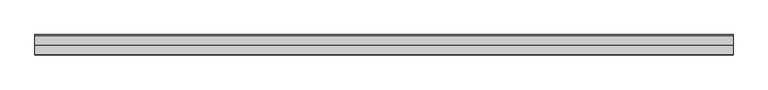
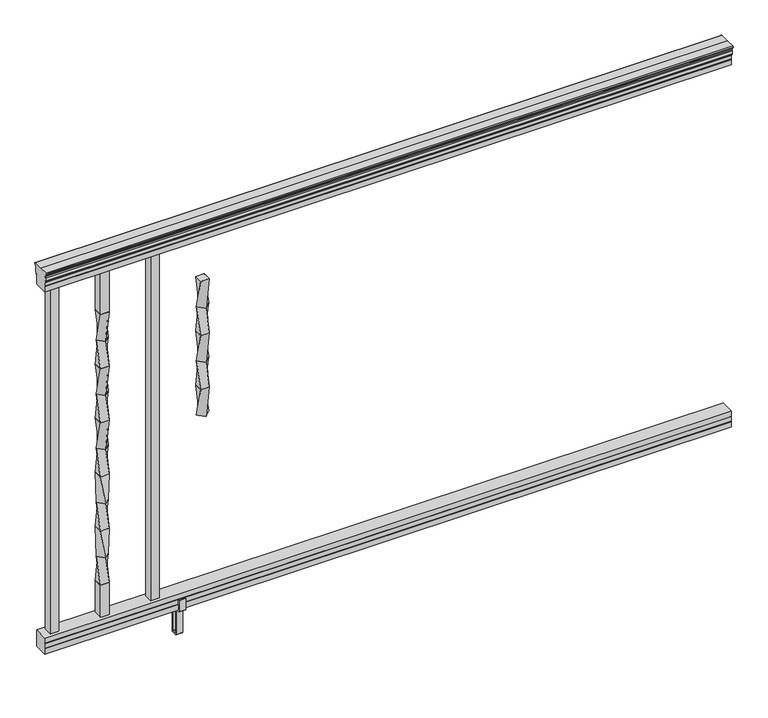
"""IFC4 building model written with IfcOpenShell, lengths in millimetres: railing geometry."""

from ifc_helpers import new_model, si_unit, frame, origin, place, context, project, spatial, polyline, circle_curve, outline, extrude, faceted_brep, source, transform, mapped, element, save
from ifc_brep_helpers import plane_surface, cylinder_surface, revolved_surface, spline_surface, advanced_brep


def railing_80288866(model_context):
    return source(origin(), model_context, "Body", "SolidModel", [
        advanced_brep(
        [(18368.0238122, -60567.3992427, 938.4043297), (18368.0238122, -60564.825414, 938.4043297), (18368.0238122, -60564.825414, 927.747013), (18368.0238122, -60565.841414, 926.731013), (18368.0238122, -60565.841414, 914.4), (18368.0238122, -60534.091414, 914.4), (18368.0238122, -60534.091414, 926.8888283), (18368.0238122, -60535.107414, 927.9048283), (18368.0238122, -60535.107414, 938.4043297), (18368.0238122, -60532.5335853, 938.4043297), (18368.0238122, -60532.5335853, 940.292412), (18368.0238122, -60531.403399, 941.8546695), (18368.0238122, -60531.403399, 949.0726458), (18368.0238122, -60532.0526554, 951.5060812), (18368.0238122, -60529.5526554, 955.8362083), (18368.0238122, -60528.1433129, 957.5157972), (18368.0238122, -60527.7414139, 958.6205318), (18368.0238122, -60527.741414, 959.9608158), (18368.0238122, -60529.2948612, 961.514263), (18368.0238122, -60549.966414, 961.514263), (18368.0238122, -60570.6379668, 961.514263), (18368.0238122, -60572.191414, 959.9608158), (18368.0238122, -60572.191414, 958.6205318), (18368.0238122, -60571.7895151, 957.5157972), (18368.0238122, -60570.3801726, 955.8362083), (18368.0238122, -60567.8801726, 951.5060812), (18368.0238122, -60568.529429, 949.0726458), (18368.0238122, -60568.529429, 941.8546695), (18368.0238122, -60567.3992427, 940.292412), (16844.0238122, -60567.3992427, 938.4043297), (16844.0238122, -60567.3992427, 940.292412), (16844.0238122, -60568.529429, 941.8546695), (16844.0238122, -60568.529429, 949.0726458), (16844.0238122, -60567.8801726, 951.5060812), (16844.0238122, -60570.3801726, 955.8362083), (16844.0238122, -60571.7895151, 957.5157972), (16844.0238122, -60572.1914141, 958.6205318), (16844.0238122, -60572.191414, 959.9608158), (16844.0238122, -60570.6379668, 961.514263), (16844.0238122, -60549.966414, 961.514263), (16844.0238122, -60529.2948612, 961.514263), (16844.0238122, -60527.741414, 959.9608158), (16844.0238122, -60527.741414, 958.6205318), (16844.0238122, -60528.1433129, 957.5157972), (16844.0238122, -60529.5526554, 955.8362083), (16844.0238122, -60532.0526554, 951.5060812), (16844.0238122, -60531.403399, 949.0726458), (16844.0238122, -60531.403399, 941.8546695), (16844.0238122, -60532.5335853, 940.292412), (16844.0238122, -60532.5335853, 938.4043297), (16844.0238122, -60535.107414, 938.4043297), (16844.0238122, -60535.107414, 927.9048283), (16844.0238122, -60534.091414, 926.8888283), (16844.0238122, -60534.091414, 914.4), (16844.0238122, -60565.841414, 914.4), (16844.0238122, -60565.841414, 926.731013), (16844.0238122, -60564.825414, 927.747013), (16844.0238122, -60564.825414, 938.4043297)],
        [
            (0, 1, circle_curve(frame((18368.0238122, -60566.1123284, 938.4043297), z_axis=(1.0, 0.0, 0.0), x_axis=(0.0, 1.0, 0.0)), 1.2869144)),
            (1, 2),
            (2, 3),
            (3, 4),
            (4, 5),
            (5, 6),
            (6, 7),
            (7, 8),
            (8, 9, circle_curve(frame((18368.0238122, -60533.8204996, 938.4043297), z_axis=(1.0, 0.0, 0.0), x_axis=(0.0, -1.0, 0.0)), 1.2869144)),
            (9, 10),
            (10, 11, circle_curve(frame((18368.0238122, -60538.8483386, 946.0506383), z_axis=(1.0, 0.0, 0.0), x_axis=(0.0, -1.0, 0.0)), 8.545951)),
            (11, 12, circle_curve(frame((18368.0238122, -60538.4112756, 945.4636577), z_axis=(1.0, 0.0, 0.0), x_axis=(0.0, -1.0, 0.0)), 7.882584)),
            (12, 13, circle_curve(frame((18368.0238122, -60527.8979515, 951.3112527), z_axis=(-1.0, 0.0, 0.0), x_axis=(0.0, -1.0, 0.0)), 4.1592695)),
            (13, 14, circle_curve(frame((18368.0238122, -60526.6106449, 951.2508864), z_axis=(-1.0, 0.0, 0.0), x_axis=(0.0, -1.0, 0.0)), 5.4479907)),
            (14, 15, circle_curve(frame((18368.0238122, -60527.8438033, 955.833395), z_axis=(-1.0, 0.0, 0.0), x_axis=(0.0, -1.0, 0.0)), 1.7088543)),
            (15, 16, circle_curve(frame((18368.0238122, -60529.4607034, 958.6205318), z_axis=(1.0, 0.0, 0.0), x_axis=(0.0, -1.0, 0.0)), 1.7192895)),
            (16, 17),
            (17, 18, circle_curve(frame((18368.0238122, -60529.2948612, 959.9608158), z_axis=(1.0, 0.0, 0.0), x_axis=(0.0, -1.0, 0.0)), 1.5534472)),
            (18, 19),
            (19, 20),
            (20, 21, circle_curve(frame((18368.0238122, -60570.6379668, 959.9608158), z_axis=(1.0, 0.0, 0.0), x_axis=(0.0, 1.0, 0.0)), 1.5534472)),
            (21, 22),
            (22, 23, circle_curve(frame((18368.0238122, -60570.4721246, 958.6205318), z_axis=(1.0, 0.0, 0.0), x_axis=(0.0, 1.0, 0.0)), 1.7192895)),
            (23, 24, circle_curve(frame((18368.0238122, -60572.0890247, 955.833395), z_axis=(-1.0, 0.0, 0.0), x_axis=(0.0, 1.0, 0.0)), 1.7088543)),
            (24, 25, circle_curve(frame((18368.0238122, -60573.3221831, 951.2508864), z_axis=(-1.0, 0.0, 0.0), x_axis=(0.0, 1.0, 0.0)), 5.4479907)),
            (25, 26, circle_curve(frame((18368.0238122, -60572.0348766, 951.3112527), z_axis=(-1.0, 0.0, 0.0), x_axis=(0.0, 1.0, 0.0)), 4.1592695)),
            (26, 27, circle_curve(frame((18368.0238122, -60561.5215524, 945.4636577), z_axis=(1.0, 0.0, 0.0), x_axis=(0.0, 1.0, 0.0)), 7.882584)),
            (27, 28, circle_curve(frame((18368.0238122, -60561.0844895, 946.0506383), z_axis=(1.0, 0.0, 0.0), x_axis=(0.0, 1.0, 0.0)), 8.545951)),
            (28, 0),
            (29, 30),
            (30, 31, circle_curve(frame((16844.0238122, -60561.0844895, 946.0506383), z_axis=(-1.0, 0.0, 0.0), x_axis=(0.0, 1.0, 0.0)), 8.545951)),
            (31, 32, circle_curve(frame((16844.0238122, -60561.5215524, 945.4636577), z_axis=(-1.0, 0.0, 0.0), x_axis=(0.0, 1.0, 0.0)), 7.882584)),
            (32, 33, circle_curve(frame((16844.0238122, -60572.0348766, 951.3112527), z_axis=(1.0, 0.0, 0.0), x_axis=(0.0, 1.0, 0.0)), 4.1592695)),
            (33, 34, circle_curve(frame((16844.0238122, -60573.3221831, 951.2508864), z_axis=(1.0, 0.0, 0.0), x_axis=(0.0, 1.0, 0.0)), 5.4479907)),
            (34, 35, circle_curve(frame((16844.0238122, -60572.0890247, 955.833395), z_axis=(1.0, 0.0, 0.0), x_axis=(0.0, 1.0, 0.0)), 1.7088543)),
            (35, 36, circle_curve(frame((16844.0238122, -60570.4721246, 958.6205318), z_axis=(-1.0, 0.0, 0.0), x_axis=(0.0, 1.0, 0.0)), 1.7192895)),
            (36, 37),
            (37, 38, circle_curve(frame((16844.0238122, -60570.6379668, 959.9608158), z_axis=(-1.0, 0.0, 0.0), x_axis=(0.0, 1.0, 0.0)), 1.5534472)),
            (38, 39),
            (39, 40),
            (40, 41, circle_curve(frame((16844.0238122, -60529.2948612, 959.9608158), z_axis=(-1.0, 0.0, 0.0), x_axis=(0.0, -1.0, 0.0)), 1.5534472)),
            (41, 42),
            (42, 43, circle_curve(frame((16844.0238122, -60529.4607034, 958.6205318), z_axis=(-1.0, 0.0, 0.0), x_axis=(0.0, -1.0, 0.0)), 1.7192895)),
            (43, 44, circle_curve(frame((16844.0238122, -60527.8438033, 955.833395), z_axis=(1.0, 0.0, 0.0), x_axis=(0.0, -1.0, 0.0)), 1.7088543)),
            (44, 45, circle_curve(frame((16844.0238122, -60526.6106449, 951.2508864), z_axis=(1.0, 0.0, 0.0), x_axis=(0.0, -1.0, 0.0)), 5.4479907)),
            (45, 46, circle_curve(frame((16844.0238122, -60527.8979515, 951.3112527), z_axis=(1.0, 0.0, 0.0), x_axis=(0.0, -1.0, 0.0)), 4.1592695)),
            (46, 47, circle_curve(frame((16844.0238122, -60538.4112756, 945.4636577), z_axis=(-1.0, 0.0, 0.0), x_axis=(0.0, -1.0, 0.0)), 7.882584)),
            (47, 48, circle_curve(frame((16844.0238122, -60538.8483386, 946.0506383), z_axis=(-1.0, 0.0, 0.0), x_axis=(0.0, -1.0, 0.0)), 8.545951)),
            (48, 49),
            (49, 50, circle_curve(frame((16844.0238122, -60533.8204996, 938.4043297), z_axis=(-1.0, 0.0, 0.0), x_axis=(0.0, -1.0, 0.0)), 1.2869144)),
            (50, 51),
            (51, 52),
            (52, 53),
            (53, 54),
            (54, 55),
            (55, 56),
            (56, 57),
            (57, 29, circle_curve(frame((16844.0238122, -60566.1123284, 938.4043297), z_axis=(-1.0, 0.0, 0.0), x_axis=(0.0, 1.0, 0.0)), 1.2869144)),
            (0, 29),
            (57, 1),
            (56, 2),
            (55, 3),
            (54, 4),
            (53, 5),
            (52, 6),
            (51, 7),
            (50, 8),
            (49, 9),
            (48, 10),
            (47, 11),
            (46, 12),
            (45, 13),
            (44, 14),
            (43, 15),
            (42, 16),
            (41, 17),
            (40, 18),
            (39, 19),
            (38, 20),
            (37, 21),
            (36, 22),
            (35, 23),
            (34, 24),
            (33, 25),
            (32, 26),
            (31, 27),
            (30, 28),
        ],
        [
            plane_surface(frame((18368.0238122, -60549.966414, 914.4), z_axis=(1.0, 0.0, 0.0), x_axis=(0.0, -1.0, 0.0))),
            plane_surface(frame((16844.0238122, -60549.966414, 914.4), z_axis=(-1.0, 0.0, 0.0), x_axis=(0.0, -1.0, 0.0))),
            cylinder_surface(frame((18368.0238122, -60566.1123284, 938.4043297), z_axis=(1.0, 0.0, 0.0), x_axis=(0.0, 1.0, 0.0)), 1.2869144),
            plane_surface(frame((18368.0238122, -60564.825414, 938.4043297), z_axis=(0.0, -1.0, 0.0), x_axis=(-1.0, 0.0, 0.0))),
            plane_surface(frame((18368.0238122, -60564.825414, 927.747013), z_axis=(0.0, -0.7071067811865395, 0.7071067811865556), x_axis=(-1.0, 0.0, 0.0))),
            plane_surface(frame((18368.0238122, -60565.841414, 926.731013), z_axis=(0.0, -1.0, 0.0), x_axis=(-1.0, 0.0, 0.0))),
            plane_surface(frame((18368.0238122, -60565.841414, 914.4), z_axis=(0.0, 0.0, -1.0), x_axis=(-1.0, 0.0, 0.0))),
            plane_surface(frame((18368.0238122, -60534.091414, 914.4), z_axis=(0.0, 1.0, 0.0), x_axis=(-1.0, 0.0, 0.0))),
            plane_surface(frame((18368.0238122, -60534.091414, 926.8888283), z_axis=(0.0, 0.7071067811865432, 0.707106781186552), x_axis=(-1.0, 0.0, 0.0))),
            plane_surface(frame((18368.0238122, -60535.107414, 927.9048283), z_axis=(0.0, 1.0, 0.0), x_axis=(-1.0, 0.0, 0.0))),
            cylinder_surface(frame((18368.0238122, -60533.8204996, 938.4043297), z_axis=(1.0, 0.0, 0.0), x_axis=(0.0, -1.0, 0.0)), 1.2869144),
            plane_surface(frame((18368.0238122, -60532.5335853, 938.4043297), z_axis=(0.0, 1.0, 0.0), x_axis=(-1.0, 0.0, 0.0))),
            cylinder_surface(frame((18368.0238122, -60538.8483386, 946.0506383), z_axis=(1.0, 0.0, 0.0), x_axis=(0.0, -1.0, 0.0)), 8.545951),
            cylinder_surface(frame((18368.0238122, -60538.4112756, 945.4636577), z_axis=(1.0, 0.0, 0.0), x_axis=(0.0, -1.0, 0.0)), 7.882584),
            revolved_surface(polyline([(16844.0238122, -60532.057221, 951.3112527), (18368.0238122, -60532.057221, 951.3112527)]), (18368.0238122, -60527.8979515, 951.3112527), (-1.0, 0.0, 0.0)),
            revolved_surface(polyline([(16844.0238122, -60532.0586356, 951.2508864), (18368.0238122, -60532.0586356, 951.2508864)]), (18368.0238122, -60526.6106449, 951.2508864), (-1.0, 0.0, 0.0)),
            revolved_surface(polyline([(16844.0238122, -60529.5526576, 955.833395), (18368.0238122, -60529.5526576, 955.833395)]), (18368.0238122, -60527.8438033, 955.833395), (-1.0, 0.0, 0.0)),
            cylinder_surface(frame((18368.0238122, -60529.4607034, 958.6205318), z_axis=(1.0, 0.0, 0.0), x_axis=(0.0, -1.0, 0.0)), 1.7192895),
            plane_surface(frame((18368.0238122, -60527.741414, 958.6205318), z_axis=(0.0, 1.0, 0.0), x_axis=(-1.0, 0.0, 0.0))),
            cylinder_surface(frame((18368.0238122, -60529.2948612, 959.9608158), z_axis=(1.0, 0.0, 0.0), x_axis=(0.0, -1.0, 0.0)), 1.5534472),
            plane_surface(frame((18368.0238122, -60529.2948612, 961.514263), z_axis=(0.0, 0.0, 1.0), x_axis=(-1.0, 0.0, 0.0))),
            plane_surface(frame((18368.0238122, -60549.966414, 961.514263), z_axis=(0.0, 0.0, 1.0), x_axis=(-1.0, 0.0, 0.0))),
            cylinder_surface(frame((18368.0238122, -60570.6379668, 959.9608158), z_axis=(1.0, 0.0, 0.0), x_axis=(0.0, 1.0, 0.0)), 1.5534472),
            plane_surface(frame((18368.0238122, -60572.191414, 959.9608158), z_axis=(0.0, -1.0, 0.0), x_axis=(-1.0, 0.0, 0.0))),
            cylinder_surface(frame((18368.0238122, -60570.4721246, 958.6205318), z_axis=(1.0, 0.0, 0.0), x_axis=(0.0, 1.0, 0.0)), 1.7192895),
            revolved_surface(polyline([(16844.0238122, -60570.3801704, 955.833395), (18368.0238122, -60570.3801704, 955.833395)]), (18368.0238122, -60572.0890247, 955.833395), (-1.0, 0.0, 0.0)),
            revolved_surface(polyline([(16844.0238122, -60567.8741924, 951.2508864), (18368.0238122, -60567.8741924, 951.2508864)]), (18368.0238122, -60573.3221831, 951.2508864), (-1.0, 0.0, 0.0)),
            revolved_surface(polyline([(16844.0238122, -60567.8756071, 951.3112527), (18368.0238122, -60567.8756071, 951.3112527)]), (18368.0238122, -60572.0348766, 951.3112527), (-1.0, 0.0, 0.0)),
            cylinder_surface(frame((18368.0238122, -60561.5215524, 945.4636577), z_axis=(1.0, 0.0, 0.0), x_axis=(0.0, 1.0, 0.0)), 7.882584),
            cylinder_surface(frame((18368.0238122, -60561.0844895, 946.0506383), z_axis=(1.0, 0.0, 0.0), x_axis=(0.0, 1.0, 0.0)), 8.545951),
            plane_surface(frame((18368.0238122, -60567.3992427, 940.292412), z_axis=(0.0, -1.0, 0.0), x_axis=(-1.0, 0.0, 0.0))),
        ],
        [
            (0, [[1, 2, 3, 4, 5, 6, 7, 8, 9, 10, 11, 12, 13, 14, 15, 16, 17, 18, 19, 20, 21, 22, 23, 24, 25, 26, 27, 28, 29]]),
            (1, [[30, 31, 32, 33, 34, 35, 36, 37, 38, 39, 40, 41, 42, 43, 44, 45, 46, 47, 48, 49, 50, 51, 52, 53, 54, 55, 56, 57, 58]]),
            (2, [[-1, 59, -58, 60]]),
            (3, [[-2, -60, -57, 61]]),
            (4, [[-3, -61, -56, 62]]),
            (5, [[-4, -62, -55, 63]]),
            (6, [[-5, -63, -54, 64]]),
            (7, [[-6, -64, -53, 65]]),
            (8, [[-7, -65, -52, 66]]),
            (9, [[-8, -66, -51, 67]]),
            (10, [[-9, -67, -50, 68]]),
            (11, [[-10, -68, -49, 69]]),
            (12, [[-11, -69, -48, 70]]),
            (13, [[-12, -70, -47, 71]]),
            (14, [[-13, -71, -46, 72]]),
            (15, [[-14, -72, -45, 73]]),
            (16, [[-15, -73, -44, 74]]),
            (17, [[-16, -74, -43, 75]]),
            (18, [[-17, -75, -42, 76]]),
            (19, [[-18, -76, -41, 77]]),
            (20, [[-19, -77, -40, 78]]),
            (21, [[-20, -78, -39, 79]]),
            (22, [[-21, -79, -38, 80]]),
            (23, [[-22, -80, -37, 81]]),
            (24, [[-23, -81, -36, 82]]),
            (25, [[-24, -82, -35, 83]]),
            (26, [[-25, -83, -34, 84]]),
            (27, [[-26, -84, -33, 85]]),
            (28, [[-27, -85, -32, 86]]),
            (29, [[-28, -86, -31, 87]]),
            (30, [[-29, -87, -30, -59]]),
        ],
    ),
        faceted_brep([(18368.0238122, -60565.8789009, 76.0541976), (18368.0238122, -60565.8789009, 63.5), (18368.0238122, -60534.1289009, 63.5), (18368.0238122, -60534.1289009, 76.0375508), (18368.0238122, -60535.1449009, 77.3858283), (18368.0238122, -60535.1449009, 87.6975248), (18368.0238122, -60534.1289009, 89.0458024), (18368.0238122, -60534.1289009, 101.5958781), (18368.0238122, -60565.8789009, 101.5958781), (18368.0238122, -60565.8789009, 89.0624492), (18368.0238122, -60564.8629009, 87.7141717), (18368.0238122, -60564.8629009, 77.3546183), (16844.0238122, -60565.8789009, 76.0541976), (16844.0238122, -60564.8629009, 77.3546183), (16844.0238122, -60564.8629009, 87.7141717), (16844.0238122, -60565.8789009, 89.0624492), (16844.0238122, -60565.8789009, 101.5958781), (16844.0238122, -60534.1289009, 101.5958781), (16844.0238122, -60534.1289009, 89.0458024), (16844.0238122, -60535.1449009, 87.6975248), (16844.0238122, -60535.1449009, 77.3858283), (16844.0238122, -60534.1289009, 76.0375508), (16844.0238122, -60534.1289009, 63.5), (16844.0238122, -60565.8789009, 63.5)], [[[0, 1, 2, 3, 4, 5, 6, 7, 8, 9, 10, 11]], [[12, 13, 14, 15, 16, 17, 18, 19, 20, 21, 22, 23]], [[1, 0, 12, 23]], [[2, 1, 23, 22]], [[3, 2, 22, 21]], [[4, 3, 21, 20]], [[5, 4, 20, 19]], [[6, 5, 19, 18]], [[7, 6, 18, 17]], [[8, 7, 17, 16]], [[9, 8, 16, 15]], [[10, 9, 15, 14]], [[11, 10, 14, 13]], [[0, 11, 13, 12]]]),
        extrude(outline(polyline([(16878.9488122, -60559.491414), (16859.8988122, -60559.491414), (16859.8988122, -60540.441414), (16878.9488122, -60540.441414), (16878.9488122, -60559.491414)]), holes=[polyline([(16878.5519372, -60559.094539), (16878.5519372, -60540.838289), (16860.2956872, -60540.838289), (16860.2956872, -60559.094539), (16878.5519372, -60559.094539)])]), frame((0.0, 0.0, 101.5958781), z_axis=(0.0, 0.0, 1.0), x_axis=(1.0, 0.0, 0.0)), (0.0, 0.0, 1.0), 812.8041219),
        advanced_brep(
        [(16971.1508122, -60559.491414, 812.7958781), (16990.2008122, -60559.491414, 812.7958781), (16990.2008122, -60540.441414, 812.7958781), (16971.1508122, -60540.441414, 812.7958781), (16967.205428, -60549.966414, 749.2958781), (16980.6758122, -60536.4960298, 749.2958781), (16994.1461964, -60549.966414, 749.2958781), (16980.6758122, -60563.4367982, 749.2958781)],
        [
            (0, 1),
            (1, 2),
            (2, 3),
            (3, 0),
            (4, 5),
            (5, 6),
            (6, 7),
            (7, 4),
            (7, 1),
            (0, 4),
            (6, 2),
            (5, 3),
        ],
        [
            plane_surface(frame((16980.6758122, -60549.966414, 812.7958781), z_axis=(0.0, 0.0, 1.0), x_axis=(0.0, 1.0, 0.0))),
            plane_surface(frame((16980.6758122, -60549.966414, 749.2958781), z_axis=(0.0, 0.0, -1.0), x_axis=(0.0, 1.0, 0.0))),
            spline_surface(1, 1, [[(16967.205428, -60549.966414, 749.2958781), (16971.1508122, -60559.491414, 812.7958781)], [(16980.6758122, -60563.4367982, 749.2958781), (16990.2008122, -60559.491414, 812.7958781)]], [2, 2], [2, 2], [0.0, 1.0], [0.0, 1.0]),
            spline_surface(1, 1, [[(16980.6758122, -60563.4367982, 749.2958781), (16990.2008122, -60559.491414, 812.7958781)], [(16994.1461964, -60549.966414, 749.2958781), (16990.2008122, -60540.441414, 812.7958781)]], [2, 2], [2, 2], [0.0, 1.0], [0.0, 1.0]),
            spline_surface(1, 1, [[(16994.1461964, -60549.966414, 749.2958781), (16990.2008122, -60540.441414, 812.7958781)], [(16980.6758122, -60536.4960298, 749.2958781), (16971.1508122, -60540.441414, 812.7958781)]], [2, 2], [2, 2], [0.0, 1.0], [0.0, 1.0]),
            spline_surface(1, 1, [[(16980.6758122, -60536.4960298, 749.2958781), (16971.1508122, -60540.441414, 812.7958781)], [(16967.205428, -60549.966414, 749.2958781), (16971.1508122, -60559.491414, 812.7958781)]], [2, 2], [2, 2], [0.0, 1.0], [0.0, 1.0]),
        ],
        [
            (0, [[1, 2, 3, 4]]),
            (1, [[5, 6, 7, 8]]),
            (2, [[-8, 9, -1, 10]]),
            (3, [[-7, 11, -2, -9]]),
            (4, [[-6, 12, -3, -11]]),
            (5, [[-5, -10, -4, -12]]),
        ],
    ),
        advanced_brep(
        [(16980.6758122, -60563.4367982, 749.2958781), (16994.1461964, -60549.966414, 749.2958781), (16980.6758122, -60536.4960298, 749.2958781), (16967.205428, -60549.966414, 749.2958781), (16990.2008122, -60559.491414, 685.7958781), (16971.1508122, -60559.491414, 685.7958781), (16971.1508122, -60540.441414, 685.7958781), (16990.2008122, -60540.441414, 685.7958781)],
        [
            (0, 1),
            (1, 2),
            (2, 3),
            (3, 0),
            (4, 5),
            (5, 6),
            (6, 7),
            (7, 4),
            (7, 1),
            (0, 4),
            (6, 2),
            (5, 3),
        ],
        [
            plane_surface(frame((16980.6758122, -60549.966414, 749.2958781), z_axis=(0.0, 0.0, 1.0), x_axis=(0.7071067811865477, -0.7071067811865474, 0.0))),
            plane_surface(frame((16980.6758122, -60549.966414, 685.7958781), z_axis=(0.0, 0.0, -1.0), x_axis=(0.7071067811865477, -0.7071067811865474, 0.0))),
            spline_surface(1, 1, [[(16990.2008122, -60559.491414, 685.7958781), (16980.6758122, -60563.4367982, 749.2958781)], [(16990.2008122, -60540.441414, 685.7958781), (16994.1461964, -60549.966414, 749.2958781)]], [2, 2], [2, 2], [0.0, 1.0], [0.0, 1.0]),
            spline_surface(1, 1, [[(16990.2008122, -60540.441414, 685.7958781), (16994.1461964, -60549.966414, 749.2958781)], [(16971.1508122, -60540.441414, 685.7958781), (16980.6758122, -60536.4960298, 749.2958781)]], [2, 2], [2, 2], [0.0, 1.0], [0.0, 1.0]),
            spline_surface(1, 1, [[(16971.1508122, -60540.441414, 685.7958781), (16980.6758122, -60536.4960298, 749.2958781)], [(16971.1508122, -60559.491414, 685.7958781), (16967.205428, -60549.966414, 749.2958781)]], [2, 2], [2, 2], [0.0, 1.0], [0.0, 1.0]),
            spline_surface(1, 1, [[(16971.1508122, -60559.491414, 685.7958781), (16967.205428, -60549.966414, 749.2958781)], [(16990.2008122, -60559.491414, 685.7958781), (16980.6758122, -60563.4367982, 749.2958781)]], [2, 2], [2, 2], [0.0, 1.0], [0.0, 1.0]),
        ],
        [
            (0, [[1, 2, 3, 4]]),
            (1, [[5, 6, 7, 8]]),
            (2, [[-8, 9, -1, 10]]),
            (3, [[-7, 11, -2, -9]]),
            (4, [[-6, 12, -3, -11]]),
            (5, [[-5, -10, -4, -12]]),
        ],
    ),
        advanced_brep(
        [(16971.1508122, -60559.491414, 685.7958781), (16990.2008122, -60559.491414, 685.7958781), (16990.2008122, -60540.441414, 685.7958781), (16971.1508122, -60540.441414, 685.7958781), (16967.205428, -60549.966414, 622.2958781), (16980.6758122, -60536.4960298, 622.2958781), (16994.1461964, -60549.966414, 622.2958781), (16980.6758122, -60563.4367982, 622.2958781)],
        [
            (0, 1),
            (1, 2),
            (2, 3),
            (3, 0),
            (4, 5),
            (5, 6),
            (6, 7),
            (7, 4),
            (7, 1),
            (0, 4),
            (6, 2),
            (5, 3),
        ],
        [
            plane_surface(frame((16980.6758122, -60549.966414, 685.7958781), z_axis=(0.0, 0.0, 1.0), x_axis=(0.0, 1.0, 0.0))),
            plane_surface(frame((16980.6758122, -60549.966414, 622.2958781), z_axis=(0.0, 0.0, -1.0), x_axis=(0.0, 1.0, 0.0))),
            spline_surface(1, 1, [[(16967.205428, -60549.966414, 622.2958781), (16971.1508122, -60559.491414, 685.7958781)], [(16980.6758122, -60563.4367982, 622.2958781), (16990.2008122, -60559.491414, 685.7958781)]], [2, 2], [2, 2], [0.0, 1.0], [0.0, 1.0]),
            spline_surface(1, 1, [[(16980.6758122, -60563.4367982, 622.2958781), (16990.2008122, -60559.491414, 685.7958781)], [(16994.1461964, -60549.966414, 622.2958781), (16990.2008122, -60540.441414, 685.7958781)]], [2, 2], [2, 2], [0.0, 1.0], [0.0, 1.0]),
            spline_surface(1, 1, [[(16994.1461964, -60549.966414, 622.2958781), (16990.2008122, -60540.441414, 685.7958781)], [(16980.6758122, -60536.4960298, 622.2958781), (16971.1508122, -60540.441414, 685.7958781)]], [2, 2], [2, 2], [0.0, 1.0], [0.0, 1.0]),
            spline_surface(1, 1, [[(16980.6758122, -60536.4960298, 622.2958781), (16971.1508122, -60540.441414, 685.7958781)], [(16967.205428, -60549.966414, 622.2958781), (16971.1508122, -60559.491414, 685.7958781)]], [2, 2], [2, 2], [0.0, 1.0], [0.0, 1.0]),
        ],
        [
            (0, [[1, 2, 3, 4]]),
            (1, [[5, 6, 7, 8]]),
            (2, [[-8, 9, -1, 10]]),
            (3, [[-7, 11, -2, -9]]),
            (4, [[-6, 12, -3, -11]]),
            (5, [[-5, -10, -4, -12]]),
        ],
    ),
        advanced_brep(
        [(16980.6758122, -60563.4367982, 622.2958781), (16994.1461964, -60549.966414, 622.2958781), (16980.6758122, -60536.4960298, 622.2958781), (16967.205428, -60549.966414, 622.2958781), (16990.2008122, -60559.491414, 558.7958781), (16971.1508122, -60559.491414, 558.7958781), (16971.1508122, -60540.441414, 558.7958781), (16990.2008122, -60540.441414, 558.7958781)],
        [
            (0, 1),
            (1, 2),
            (2, 3),
            (3, 0),
            (4, 5),
            (5, 6),
            (6, 7),
            (7, 4),
            (7, 1),
            (0, 4),
            (6, 2),
            (5, 3),
        ],
        [
            plane_surface(frame((16980.6758122, -60549.966414, 622.2958781), z_axis=(0.0, 0.0, 1.0), x_axis=(0.7071067811865477, -0.7071067811865475, 0.0))),
            plane_surface(frame((16980.6758122, -60549.966414, 558.7958781), z_axis=(0.0, 0.0, -1.0), x_axis=(0.7071067811865477, -0.7071067811865475, 0.0))),
            spline_surface(1, 1, [[(16990.2008122, -60559.491414, 558.7958781), (16980.6758122, -60563.4367982, 622.2958781)], [(16990.2008122, -60540.441414, 558.7958781), (16994.1461964, -60549.966414, 622.2958781)]], [2, 2], [2, 2], [0.0, 1.0], [0.0, 1.0]),
            spline_surface(1, 1, [[(16990.2008122, -60540.441414, 558.7958781), (16994.1461964, -60549.966414, 622.2958781)], [(16971.1508122, -60540.441414, 558.7958781), (16980.6758122, -60536.4960298, 622.2958781)]], [2, 2], [2, 2], [0.0, 1.0], [0.0, 1.0]),
            spline_surface(1, 1, [[(16971.1508122, -60540.441414, 558.7958781), (16980.6758122, -60536.4960298, 622.2958781)], [(16971.1508122, -60559.491414, 558.7958781), (16967.205428, -60549.966414, 622.2958781)]], [2, 2], [2, 2], [0.0, 1.0], [0.0, 1.0]),
            spline_surface(1, 1, [[(16971.1508122, -60559.491414, 558.7958781), (16967.205428, -60549.966414, 622.2958781)], [(16990.2008122, -60559.491414, 558.7958781), (16980.6758122, -60563.4367982, 622.2958781)]], [2, 2], [2, 2], [0.0, 1.0], [0.0, 1.0]),
        ],
        [
            (0, [[1, 2, 3, 4]]),
            (1, [[5, 6, 7, 8]]),
            (2, [[-8, 9, -1, 10]]),
            (3, [[-7, 11, -2, -9]]),
            (4, [[-6, 12, -3, -11]]),
            (5, [[-5, -10, -4, -12]]),
        ],
    ),
        advanced_brep(
        [(16971.1508122, -60559.491414, 558.7958781), (16990.2008122, -60559.491414, 558.7958781), (16990.2008122, -60540.441414, 558.7958781), (16971.1508122, -60540.441414, 558.7958781), (16967.205428, -60549.966414, 495.2958781), (16980.6758122, -60536.4960298, 495.2958781), (16994.1461964, -60549.966414, 495.2958781), (16980.6758122, -60563.4367982, 495.2958781)],
        [
            (0, 1),
            (1, 2),
            (2, 3),
            (3, 0),
            (4, 5),
            (5, 6),
            (6, 7),
            (7, 4),
            (7, 1),
            (0, 4),
            (6, 2),
            (5, 3),
        ],
        [
            plane_surface(frame((16980.6758122, -60549.966414, 558.7958781), z_axis=(0.0, 0.0, 1.0), x_axis=(0.0, 1.0, 0.0))),
            plane_surface(frame((16980.6758122, -60549.966414, 495.2958781), z_axis=(0.0, 0.0, -1.0), x_axis=(0.0, 1.0, 0.0))),
            spline_surface(1, 1, [[(16967.205428, -60549.966414, 495.2958781), (16971.1508122, -60559.491414, 558.7958781)], [(16980.6758122, -60563.4367982, 495.2958781), (16990.2008122, -60559.491414, 558.7958781)]], [2, 2], [2, 2], [0.0, 1.0], [0.0, 1.0]),
            spline_surface(1, 1, [[(16980.6758122, -60563.4367982, 495.2958781), (16990.2008122, -60559.491414, 558.7958781)], [(16994.1461964, -60549.966414, 495.2958781), (16990.2008122, -60540.441414, 558.7958781)]], [2, 2], [2, 2], [0.0, 1.0], [0.0, 1.0]),
            spline_surface(1, 1, [[(16994.1461964, -60549.966414, 495.2958781), (16990.2008122, -60540.441414, 558.7958781)], [(16980.6758122, -60536.4960298, 495.2958781), (16971.1508122, -60540.441414, 558.7958781)]], [2, 2], [2, 2], [0.0, 1.0], [0.0, 1.0]),
            spline_surface(1, 1, [[(16980.6758122, -60536.4960298, 495.2958781), (16971.1508122, -60540.441414, 558.7958781)], [(16967.205428, -60549.966414, 495.2958781), (16971.1508122, -60559.491414, 558.7958781)]], [2, 2], [2, 2], [0.0, 1.0], [0.0, 1.0]),
        ],
        [
            (0, [[1, 2, 3, 4]]),
            (1, [[5, 6, 7, 8]]),
            (2, [[-8, 9, -1, 10]]),
            (3, [[-7, 11, -2, -9]]),
            (4, [[-6, 12, -3, -11]]),
            (5, [[-5, -10, -4, -12]]),
        ],
    ),
        advanced_brep(
        [(16980.6758122, -60563.4367982, 495.2958781), (16994.1461964, -60549.966414, 495.2958781), (16980.6758122, -60536.4960298, 495.2958781), (16967.205428, -60549.966414, 495.2958781), (16990.2008122, -60559.491414, 431.7958781), (16971.1508122, -60559.491414, 431.7958781), (16971.1508122, -60540.441414, 431.7958781), (16990.2008122, -60540.441414, 431.7958781)],
        [
            (0, 1),
            (1, 2),
            (2, 3),
            (3, 0),
            (4, 5),
            (5, 6),
            (6, 7),
            (7, 4),
            (7, 1),
            (0, 4),
            (6, 2),
            (5, 3),
        ],
        [
            plane_surface(frame((16980.6758122, -60549.966414, 495.2958781), z_axis=(0.0, 0.0, 1.0), x_axis=(0.7071067811865477, -0.7071067811865474, 0.0))),
            plane_surface(frame((16980.6758122, -60549.966414, 431.7958781), z_axis=(0.0, 0.0, -1.0), x_axis=(0.7071067811865477, -0.7071067811865474, 0.0))),
            spline_surface(1, 1, [[(16990.2008122, -60559.491414, 431.7958781), (16980.6758122, -60563.4367982, 495.2958781)], [(16990.2008122, -60540.441414, 431.7958781), (16994.1461964, -60549.966414, 495.2958781)]], [2, 2], [2, 2], [0.0, 1.0], [0.0, 1.0]),
            spline_surface(1, 1, [[(16990.2008122, -60540.441414, 431.7958781), (16994.1461964, -60549.966414, 495.2958781)], [(16971.1508122, -60540.441414, 431.7958781), (16980.6758122, -60536.4960298, 495.2958781)]], [2, 2], [2, 2], [0.0, 1.0], [0.0, 1.0]),
            spline_surface(1, 1, [[(16971.1508122, -60540.441414, 431.7958781), (16980.6758122, -60536.4960298, 495.2958781)], [(16971.1508122, -60559.491414, 431.7958781), (16967.205428, -60549.966414, 495.2958781)]], [2, 2], [2, 2], [0.0, 1.0], [0.0, 1.0]),
            spline_surface(1, 1, [[(16971.1508122, -60559.491414, 431.7958781), (16967.205428, -60549.966414, 495.2958781)], [(16990.2008122, -60559.491414, 431.7958781), (16980.6758122, -60563.4367982, 495.2958781)]], [2, 2], [2, 2], [0.0, 1.0], [0.0, 1.0]),
        ],
        [
            (0, [[1, 2, 3, 4]]),
            (1, [[5, 6, 7, 8]]),
            (2, [[-8, 9, -1, 10]]),
            (3, [[-7, 11, -2, -9]]),
            (4, [[-6, 12, -3, -11]]),
            (5, [[-5, -10, -4, -12]]),
        ],
    ),
        advanced_brep(
        [(16990.2008122, -60559.491414, 431.7958781), (16990.2008122, -60540.441414, 431.7958781), (16971.1508122, -60540.441414, 431.7958781), (16971.1508122, -60559.491414, 431.7958781), (16994.1461964, -60549.966414, 368.2958781), (16980.6758122, -60563.4367982, 368.2958781), (16967.205428, -60549.966414, 368.2958781), (16980.6758122, -60536.4960298, 368.2958781)],
        [
            (0, 1),
            (1, 2),
            (2, 3),
            (3, 0),
            (4, 5),
            (5, 6),
            (6, 7),
            (7, 4),
            (7, 1),
            (0, 4),
            (6, 2),
            (5, 3),
        ],
        [
            plane_surface(frame((16980.6758122, -60549.966414, 431.7958781), z_axis=(0.0, 0.0, 1.0), x_axis=(0.0, 1.0, 0.0))),
            plane_surface(frame((16980.6758122, -60549.966414, 368.2958781), z_axis=(0.0, 0.0, -1.0), x_axis=(0.0, 1.0, 0.0))),
            spline_surface(1, 1, [[(16994.1461964, -60549.966414, 368.2958781), (16990.2008122, -60559.491414, 431.7958781)], [(16980.6758122, -60536.4960298, 368.2958781), (16990.2008122, -60540.441414, 431.7958781)]], [2, 2], [2, 2], [0.0, 1.0], [0.0, 1.0]),
            spline_surface(1, 1, [[(16980.6758122, -60536.4960298, 368.2958781), (16990.2008122, -60540.441414, 431.7958781)], [(16967.205428, -60549.966414, 368.2958781), (16971.1508122, -60540.441414, 431.7958781)]], [2, 2], [2, 2], [0.0, 1.0], [0.0, 1.0]),
            spline_surface(1, 1, [[(16967.205428, -60549.966414, 368.2958781), (16971.1508122, -60540.441414, 431.7958781)], [(16980.6758122, -60563.4367982, 368.2958781), (16971.1508122, -60559.491414, 431.7958781)]], [2, 2], [2, 2], [0.0, 1.0], [0.0, 1.0]),
            spline_surface(1, 1, [[(16980.6758122, -60563.4367982, 368.2958781), (16971.1508122, -60559.491414, 431.7958781)], [(16994.1461964, -60549.966414, 368.2958781), (16990.2008122, -60559.491414, 431.7958781)]], [2, 2], [2, 2], [0.0, 1.0], [0.0, 1.0]),
        ],
        [
            (0, [[1, 2, 3, 4]]),
            (1, [[5, 6, 7, 8]]),
            (2, [[-8, 9, -1, 10]]),
            (3, [[-7, 11, -2, -9]]),
            (4, [[-6, 12, -3, -11]]),
            (5, [[-5, -10, -4, -12]]),
        ],
    ),
        advanced_brep(
        [(16980.6758122, -60563.4367982, 368.2958781), (16994.1461964, -60549.966414, 368.2958781), (16980.6758122, -60536.4960298, 368.2958781), (16967.205428, -60549.966414, 368.2958781), (16990.2008122, -60559.491414, 304.7958781), (16971.1508122, -60559.491414, 304.7958781), (16971.1508122, -60540.441414, 304.7958781), (16990.2008122, -60540.441414, 304.7958781)],
        [
            (0, 1),
            (1, 2),
            (2, 3),
            (3, 0),
            (4, 5),
            (5, 6),
            (6, 7),
            (7, 4),
            (7, 1),
            (0, 4),
            (6, 2),
            (5, 3),
        ],
        [
            plane_surface(frame((16980.6758122, -60549.966414, 368.2958781), z_axis=(0.0, 0.0, 1.0), x_axis=(0.7071067811865477, -0.7071067811865475, 0.0))),
            plane_surface(frame((16980.6758122, -60549.966414, 304.7958781), z_axis=(0.0, 0.0, -1.0), x_axis=(0.7071067811865477, -0.7071067811865475, 0.0))),
            spline_surface(1, 1, [[(16990.2008122, -60559.491414, 304.7958781), (16980.6758122, -60563.4367982, 368.2958781)], [(16990.2008122, -60540.441414, 304.7958781), (16994.1461964, -60549.966414, 368.2958781)]], [2, 2], [2, 2], [0.0, 1.0], [0.0, 1.0]),
            spline_surface(1, 1, [[(16990.2008122, -60540.441414, 304.7958781), (16994.1461964, -60549.966414, 368.2958781)], [(16971.1508122, -60540.441414, 304.7958781), (16980.6758122, -60536.4960298, 368.2958781)]], [2, 2], [2, 2], [0.0, 1.0], [0.0, 1.0]),
            spline_surface(1, 1, [[(16971.1508122, -60540.441414, 304.7958781), (16980.6758122, -60536.4960298, 368.2958781)], [(16971.1508122, -60559.491414, 304.7958781), (16967.205428, -60549.966414, 368.2958781)]], [2, 2], [2, 2], [0.0, 1.0], [0.0, 1.0]),
            spline_surface(1, 1, [[(16971.1508122, -60559.491414, 304.7958781), (16967.205428, -60549.966414, 368.2958781)], [(16990.2008122, -60559.491414, 304.7958781), (16980.6758122, -60563.4367982, 368.2958781)]], [2, 2], [2, 2], [0.0, 1.0], [0.0, 1.0]),
        ],
        [
            (0, [[1, 2, 3, 4]]),
            (1, [[5, 6, 7, 8]]),
            (2, [[-8, 9, -1, 10]]),
            (3, [[-7, 11, -2, -9]]),
            (4, [[-6, 12, -3, -11]]),
            (5, [[-5, -10, -4, -12]]),
        ],
    ),
        advanced_brep(
        [(16990.2008122, -60559.491414, 304.7958781), (16990.2008122, -60540.441414, 304.7958781), (16971.1508122, -60540.441414, 304.7958781), (16971.1508122, -60559.491414, 304.7958781), (16994.1461964, -60549.966414, 241.2958781), (16980.6758122, -60563.4367982, 241.2958781), (16967.205428, -60549.966414, 241.2958781), (16980.6758122, -60536.4960298, 241.2958781)],
        [
            (0, 1),
            (1, 2),
            (2, 3),
            (3, 0),
            (4, 5),
            (5, 6),
            (6, 7),
            (7, 4),
            (7, 1),
            (0, 4),
            (6, 2),
            (5, 3),
        ],
        [
            plane_surface(frame((16980.6758122, -60549.966414, 304.7958781), z_axis=(0.0, 0.0, 1.0), x_axis=(0.0, 1.0, 0.0))),
            plane_surface(frame((16980.6758122, -60549.966414, 241.2958781), z_axis=(0.0, 0.0, -1.0), x_axis=(0.0, 1.0, 0.0))),
            spline_surface(1, 1, [[(16994.1461964, -60549.966414, 241.2958781), (16990.2008122, -60559.491414, 304.7958781)], [(16980.6758122, -60536.4960298, 241.2958781), (16990.2008122, -60540.441414, 304.7958781)]], [2, 2], [2, 2], [0.0, 1.0], [0.0, 1.0]),
            spline_surface(1, 1, [[(16980.6758122, -60536.4960298, 241.2958781), (16990.2008122, -60540.441414, 304.7958781)], [(16967.205428, -60549.966414, 241.2958781), (16971.1508122, -60540.441414, 304.7958781)]], [2, 2], [2, 2], [0.0, 1.0], [0.0, 1.0]),
            spline_surface(1, 1, [[(16967.205428, -60549.966414, 241.2958781), (16971.1508122, -60540.441414, 304.7958781)], [(16980.6758122, -60563.4367982, 241.2958781), (16971.1508122, -60559.491414, 304.7958781)]], [2, 2], [2, 2], [0.0, 1.0], [0.0, 1.0]),
            spline_surface(1, 1, [[(16980.6758122, -60563.4367982, 241.2958781), (16971.1508122, -60559.491414, 304.7958781)], [(16994.1461964, -60549.966414, 241.2958781), (16990.2008122, -60559.491414, 304.7958781)]], [2, 2], [2, 2], [0.0, 1.0], [0.0, 1.0]),
        ],
        [
            (0, [[1, 2, 3, 4]]),
            (1, [[5, 6, 7, 8]]),
            (2, [[-8, 9, -1, 10]]),
            (3, [[-7, 11, -2, -9]]),
            (4, [[-6, 12, -3, -11]]),
            (5, [[-5, -10, -4, -12]]),
        ],
    ),
        advanced_brep(
        [(16980.6758122, -60563.4367982, 241.2958781), (16994.1461964, -60549.966414, 241.2958781), (16980.6758122, -60536.4960298, 241.2958781), (16967.205428, -60549.966414, 241.2958781), (16990.2008122, -60559.491414, 177.7958781), (16971.1508122, -60559.491414, 177.7958781), (16971.1508122, -60540.441414, 177.7958781), (16990.2008122, -60540.441414, 177.7958781)],
        [
            (0, 1),
            (1, 2),
            (2, 3),
            (3, 0),
            (4, 5),
            (5, 6),
            (6, 7),
            (7, 4),
            (7, 1),
            (0, 4),
            (6, 2),
            (5, 3),
        ],
        [
            plane_surface(frame((16980.6758122, -60549.966414, 241.2958781), z_axis=(0.0, 0.0, 1.0), x_axis=(0.7071067811865478, 0.7071067811865474, 0.0))),
            plane_surface(frame((16980.6758122, -60549.966414, 177.7958781), z_axis=(0.0, 0.0, -1.0), x_axis=(0.7071067811865478, 0.7071067811865474, 0.0))),
            spline_surface(1, 1, [[(16990.2008122, -60559.491414, 177.7958781), (16980.6758122, -60563.4367982, 241.2958781)], [(16990.2008122, -60540.441414, 177.7958781), (16994.1461964, -60549.966414, 241.2958781)]], [2, 2], [2, 2], [0.0, 1.0], [0.0, 1.0]),
            spline_surface(1, 1, [[(16990.2008122, -60540.441414, 177.7958781), (16994.1461964, -60549.966414, 241.2958781)], [(16971.1508122, -60540.441414, 177.7958781), (16980.6758122, -60536.4960298, 241.2958781)]], [2, 2], [2, 2], [0.0, 1.0], [0.0, 1.0]),
            spline_surface(1, 1, [[(16971.1508122, -60540.441414, 177.7958781), (16980.6758122, -60536.4960298, 241.2958781)], [(16971.1508122, -60559.491414, 177.7958781), (16967.205428, -60549.966414, 241.2958781)]], [2, 2], [2, 2], [0.0, 1.0], [0.0, 1.0]),
            spline_surface(1, 1, [[(16971.1508122, -60559.491414, 177.7958781), (16967.205428, -60549.966414, 241.2958781)], [(16990.2008122, -60559.491414, 177.7958781), (16980.6758122, -60563.4367982, 241.2958781)]], [2, 2], [2, 2], [0.0, 1.0], [0.0, 1.0]),
        ],
        [
            (0, [[1, 2, 3, 4]]),
            (1, [[5, 6, 7, 8]]),
            (2, [[-8, 9, -1, 10]]),
            (3, [[-7, 11, -2, -9]]),
            (4, [[-6, 12, -3, -11]]),
            (5, [[-5, -10, -4, -12]]),
        ],
    ),
        extrude(outline(polyline([(16990.2008122, -60559.491414), (16971.1508122, -60559.491414), (16971.1508122, -60540.441414), (16990.2008122, -60540.441414), (16990.2008122, -60559.491414)])), frame((0.0, 0.0, 812.7958781), z_axis=(0.0, 0.0, 1.0), x_axis=(1.0, 0.0, 0.0)), (0.0, 0.0, 1.0), 101.6041219),
        extrude(outline(polyline([(16990.2008122, -60559.491414), (16971.1508122, -60559.491414), (16971.1508122, -60540.441414), (16990.2008122, -60540.441414), (16990.2008122, -60559.491414)])), frame((0.0, 0.0, 101.5958781), z_axis=(0.0, 0.0, 1.0), x_axis=(1.0, 0.0, 0.0)), (0.0, 0.0, 1.0), 76.2),
        extrude(outline(polyline([(17101.4528122, -60559.491414), (17082.4028122, -60559.491414), (17082.4028122, -60540.441414), (17101.4528122, -60540.441414), (17101.4528122, -60559.491414)]), holes=[polyline([(17101.0559372, -60559.094539), (17101.0559372, -60540.838289), (17082.7996872, -60540.838289), (17082.7996872, -60559.094539), (17101.0559372, -60559.094539)])]), frame((0.0, 0.0, 101.5958781), z_axis=(0.0, 0.0, 1.0), x_axis=(1.0, 0.0, 0.0)), (0.0, 0.0, 1.0), 812.8041219),
        extrude(outline(polyline([(-60531.8054152, 88.7203979), (-60531.0434141, 87.9583969), (-60531.0434141, 61.4680023), (-60531.8054152, 60.7060013), (-60541.8384142, 60.7060013), (-60542.6004143, 59.9440012), (-60542.6004143, 0.7620001), (-60543.3624144, 0.0), (-60556.5704136, 0.0), (-60557.3324147, 0.762001), (-60557.3324147, 59.9440012), (-60558.0944147, 60.7060013), (-60568.1274138, 60.7060013), (-60568.8894148, 61.4680023), (-60568.8894148, 87.9583969), (-60568.1274138, 88.7203979), (-60566.0954142, 88.7203979), (-60565.0794144, 87.7043953), (-60565.0794144, 77.2686081), (-60566.0954142, 76.2526073), (-60566.0954142, 64.262001), (-60565.3334151, 63.5000019), (-60534.5994139, 63.5000019), (-60533.8374148, 64.262001), (-60533.8374148, 76.2526073), (-60534.8534146, 77.2686081), (-60534.8534146, 87.7043953), (-60533.8374148, 88.7203979), (-60531.8054152, 88.7203979)]), holes=[polyline([(-60553.3954144, 60.7060013), (-60554.1574145, 59.9440012), (-60554.1574145, 3.9370031), (-60553.3954144, 3.1750031), (-60546.5374117, 3.1750031), (-60545.7754145, 3.9370003), (-60545.7754145, 59.9440012), (-60546.5374146, 60.7060013), (-60553.3954144, 60.7060013)])]), frame((17140.1878122, 0.0, 0.0), z_axis=(1.0, 0.0, 0.0), x_axis=(0.0, 1.0, 0.0)), (0.0, 0.0, 1.0), 14.732),
        advanced_brep(
        [(17193.6548122, -60559.491414, 812.7958781), (17212.7048122, -60559.491414, 812.7958781), (17212.7048122, -60540.441414, 812.7958781), (17193.6548122, -60540.441414, 812.7958781), (17189.709428, -60549.966414, 749.2958781), (17203.1798122, -60536.4960298, 749.2958781), (17216.6501964, -60549.966414, 749.2958781), (17203.1798122, -60563.4367982, 749.2958781)],
        [
            (0, 1),
            (1, 2),
            (2, 3),
            (3, 0),
            (4, 5),
            (5, 6),
            (6, 7),
            (7, 4),
            (7, 1),
            (0, 4),
            (6, 2),
            (5, 3),
        ],
        [
            plane_surface(frame((17203.1798122, -60549.966414, 812.7958781), z_axis=(0.0, 0.0, 1.0), x_axis=(0.0, 1.0, 0.0))),
            plane_surface(frame((17203.1798122, -60549.966414, 749.2958781), z_axis=(0.0, 0.0, -1.0), x_axis=(0.0, 1.0, 0.0))),
            spline_surface(1, 1, [[(17189.709428, -60549.966414, 749.2958781), (17193.6548122, -60559.491414, 812.7958781)], [(17203.1798122, -60563.4367982, 749.2958781), (17212.7048122, -60559.491414, 812.7958781)]], [2, 2], [2, 2], [0.0, 1.0], [0.0, 1.0]),
            spline_surface(1, 1, [[(17203.1798122, -60563.4367982, 749.2958781), (17212.7048122, -60559.491414, 812.7958781)], [(17216.6501964, -60549.966414, 749.2958781), (17212.7048122, -60540.441414, 812.7958781)]], [2, 2], [2, 2], [0.0, 1.0], [0.0, 1.0]),
            spline_surface(1, 1, [[(17216.6501964, -60549.966414, 749.2958781), (17212.7048122, -60540.441414, 812.7958781)], [(17203.1798122, -60536.4960298, 749.2958781), (17193.6548122, -60540.441414, 812.7958781)]], [2, 2], [2, 2], [0.0, 1.0], [0.0, 1.0]),
            spline_surface(1, 1, [[(17203.1798122, -60536.4960298, 749.2958781), (17193.6548122, -60540.441414, 812.7958781)], [(17189.709428, -60549.966414, 749.2958781), (17193.6548122, -60559.491414, 812.7958781)]], [2, 2], [2, 2], [0.0, 1.0], [0.0, 1.0]),
        ],
        [
            (0, [[1, 2, 3, 4]]),
            (1, [[5, 6, 7, 8]]),
            (2, [[-8, 9, -1, 10]]),
            (3, [[-7, 11, -2, -9]]),
            (4, [[-6, 12, -3, -11]]),
            (5, [[-5, -10, -4, -12]]),
        ],
    ),
        advanced_brep(
        [(17203.1798122, -60563.4367982, 749.2958781), (17216.6501964, -60549.966414, 749.2958781), (17203.1798122, -60536.4960298, 749.2958781), (17189.709428, -60549.966414, 749.2958781), (17212.7048122, -60559.491414, 685.7958781), (17193.6548122, -60559.491414, 685.7958781), (17193.6548122, -60540.441414, 685.7958781), (17212.7048122, -60540.441414, 685.7958781)],
        [
            (0, 1),
            (1, 2),
            (2, 3),
            (3, 0),
            (4, 5),
            (5, 6),
            (6, 7),
            (7, 4),
            (7, 1),
            (0, 4),
            (6, 2),
            (5, 3),
        ],
        [
            plane_surface(frame((17203.1798122, -60549.966414, 749.2958781), z_axis=(0.0, 0.0, 1.0), x_axis=(0.7071067811865477, -0.7071067811865474, 0.0))),
            plane_surface(frame((17203.1798122, -60549.966414, 685.7958781), z_axis=(0.0, 0.0, -1.0), x_axis=(0.7071067811865477, -0.7071067811865474, 0.0))),
            spline_surface(1, 1, [[(17212.7048122, -60559.491414, 685.7958781), (17203.1798122, -60563.4367982, 749.2958781)], [(17212.7048122, -60540.441414, 685.7958781), (17216.6501964, -60549.966414, 749.2958781)]], [2, 2], [2, 2], [0.0, 1.0], [0.0, 1.0]),
            spline_surface(1, 1, [[(17212.7048122, -60540.441414, 685.7958781), (17216.6501964, -60549.966414, 749.2958781)], [(17193.6548122, -60540.441414, 685.7958781), (17203.1798122, -60536.4960298, 749.2958781)]], [2, 2], [2, 2], [0.0, 1.0], [0.0, 1.0]),
            spline_surface(1, 1, [[(17193.6548122, -60540.441414, 685.7958781), (17203.1798122, -60536.4960298, 749.2958781)], [(17193.6548122, -60559.491414, 685.7958781), (17189.709428, -60549.966414, 749.2958781)]], [2, 2], [2, 2], [0.0, 1.0], [0.0, 1.0]),
            spline_surface(1, 1, [[(17193.6548122, -60559.491414, 685.7958781), (17189.709428, -60549.966414, 749.2958781)], [(17212.7048122, -60559.491414, 685.7958781), (17203.1798122, -60563.4367982, 749.2958781)]], [2, 2], [2, 2], [0.0, 1.0], [0.0, 1.0]),
        ],
        [
            (0, [[1, 2, 3, 4]]),
            (1, [[5, 6, 7, 8]]),
            (2, [[-8, 9, -1, 10]]),
            (3, [[-7, 11, -2, -9]]),
            (4, [[-6, 12, -3, -11]]),
            (5, [[-5, -10, -4, -12]]),
        ],
    ),
        advanced_brep(
        [(17193.6548122, -60559.491414, 685.7958781), (17212.7048122, -60559.491414, 685.7958781), (17212.7048122, -60540.441414, 685.7958781), (17193.6548122, -60540.441414, 685.7958781), (17189.709428, -60549.966414, 622.2958781), (17203.1798122, -60536.4960298, 622.2958781), (17216.6501964, -60549.966414, 622.2958781), (17203.1798122, -60563.4367982, 622.2958781)],
        [
            (0, 1),
            (1, 2),
            (2, 3),
            (3, 0),
            (4, 5),
            (5, 6),
            (6, 7),
            (7, 4),
            (7, 1),
            (0, 4),
            (6, 2),
            (5, 3),
        ],
        [
            plane_surface(frame((17203.1798122, -60549.966414, 685.7958781), z_axis=(0.0, 0.0, 1.0), x_axis=(0.0, 1.0, 0.0))),
            plane_surface(frame((17203.1798122, -60549.966414, 622.2958781), z_axis=(0.0, 0.0, -1.0), x_axis=(0.0, 1.0, 0.0))),
            spline_surface(1, 1, [[(17189.709428, -60549.966414, 622.2958781), (17193.6548122, -60559.491414, 685.7958781)], [(17203.1798122, -60563.4367982, 622.2958781), (17212.7048122, -60559.491414, 685.7958781)]], [2, 2], [2, 2], [0.0, 1.0], [0.0, 1.0]),
            spline_surface(1, 1, [[(17203.1798122, -60563.4367982, 622.2958781), (17212.7048122, -60559.491414, 685.7958781)], [(17216.6501964, -60549.966414, 622.2958781), (17212.7048122, -60540.441414, 685.7958781)]], [2, 2], [2, 2], [0.0, 1.0], [0.0, 1.0]),
            spline_surface(1, 1, [[(17216.6501964, -60549.966414, 622.2958781), (17212.7048122, -60540.441414, 685.7958781)], [(17203.1798122, -60536.4960298, 622.2958781), (17193.6548122, -60540.441414, 685.7958781)]], [2, 2], [2, 2], [0.0, 1.0], [0.0, 1.0]),
            spline_surface(1, 1, [[(17203.1798122, -60536.4960298, 622.2958781), (17193.6548122, -60540.441414, 685.7958781)], [(17189.709428, -60549.966414, 622.2958781), (17193.6548122, -60559.491414, 685.7958781)]], [2, 2], [2, 2], [0.0, 1.0], [0.0, 1.0]),
        ],
        [
            (0, [[1, 2, 3, 4]]),
            (1, [[5, 6, 7, 8]]),
            (2, [[-8, 9, -1, 10]]),
            (3, [[-7, 11, -2, -9]]),
            (4, [[-6, 12, -3, -11]]),
            (5, [[-5, -10, -4, -12]]),
        ],
    ),
        advanced_brep(
        [(17203.1798122, -60563.4367982, 622.2958781), (17216.6501964, -60549.966414, 622.2958781), (17203.1798122, -60536.4960298, 622.2958781), (17189.709428, -60549.966414, 622.2958781), (17212.7048122, -60559.491414, 558.7958781), (17193.6548122, -60559.491414, 558.7958781), (17193.6548122, -60540.441414, 558.7958781), (17212.7048122, -60540.441414, 558.7958781)],
        [
            (0, 1),
            (1, 2),
            (2, 3),
            (3, 0),
            (4, 5),
            (5, 6),
            (6, 7),
            (7, 4),
            (7, 1),
            (0, 4),
            (6, 2),
            (5, 3),
        ],
        [
            plane_surface(frame((17203.1798122, -60549.966414, 622.2958781), z_axis=(0.0, 0.0, 1.0), x_axis=(0.7071067811865477, -0.7071067811865475, 0.0))),
            plane_surface(frame((17203.1798122, -60549.966414, 558.7958781), z_axis=(0.0, 0.0, -1.0), x_axis=(0.7071067811865477, -0.7071067811865475, 0.0))),
            spline_surface(1, 1, [[(17212.7048122, -60559.491414, 558.7958781), (17203.1798122, -60563.4367982, 622.2958781)], [(17212.7048122, -60540.441414, 558.7958781), (17216.6501964, -60549.966414, 622.2958781)]], [2, 2], [2, 2], [0.0, 1.0], [0.0, 1.0]),
            spline_surface(1, 1, [[(17212.7048122, -60540.441414, 558.7958781), (17216.6501964, -60549.966414, 622.2958781)], [(17193.6548122, -60540.441414, 558.7958781), (17203.1798122, -60536.4960298, 622.2958781)]], [2, 2], [2, 2], [0.0, 1.0], [0.0, 1.0]),
            spline_surface(1, 1, [[(17193.6548122, -60540.441414, 558.7958781), (17203.1798122, -60536.4960298, 622.2958781)], [(17193.6548122, -60559.491414, 558.7958781), (17189.709428, -60549.966414, 622.2958781)]], [2, 2], [2, 2], [0.0, 1.0], [0.0, 1.0]),
            spline_surface(1, 1, [[(17193.6548122, -60559.491414, 558.7958781), (17189.709428, -60549.966414, 622.2958781)], [(17212.7048122, -60559.491414, 558.7958781), (17203.1798122, -60563.4367982, 622.2958781)]], [2, 2], [2, 2], [0.0, 1.0], [0.0, 1.0]),
        ],
        [
            (0, [[1, 2, 3, 4]]),
            (1, [[5, 6, 7, 8]]),
            (2, [[-8, 9, -1, 10]]),
            (3, [[-7, 11, -2, -9]]),
            (4, [[-6, 12, -3, -11]]),
            (5, [[-5, -10, -4, -12]]),
        ],
    ),
        advanced_brep(
        [(17193.6548122, -60559.491414, 558.7958781), (17212.7048122, -60559.491414, 558.7958781), (17212.7048122, -60540.441414, 558.7958781), (17193.6548122, -60540.441414, 558.7958781), (17189.709428, -60549.966414, 495.2958781), (17203.1798122, -60536.4960298, 495.2958781), (17216.6501964, -60549.966414, 495.2958781), (17203.1798122, -60563.4367982, 495.2958781)],
        [
            (0, 1),
            (1, 2),
            (2, 3),
            (3, 0),
            (4, 5),
            (5, 6),
            (6, 7),
            (7, 4),
            (7, 1),
            (0, 4),
            (6, 2),
            (5, 3),
        ],
        [
            plane_surface(frame((17203.1798122, -60549.966414, 558.7958781), z_axis=(0.0, 0.0, 1.0), x_axis=(0.0, 1.0, 0.0))),
            plane_surface(frame((17203.1798122, -60549.966414, 495.2958781), z_axis=(0.0, 0.0, -1.0), x_axis=(0.0, 1.0, 0.0))),
            spline_surface(1, 1, [[(17189.709428, -60549.966414, 495.2958781), (17193.6548122, -60559.491414, 558.7958781)], [(17203.1798122, -60563.4367982, 495.2958781), (17212.7048122, -60559.491414, 558.7958781)]], [2, 2], [2, 2], [0.0, 1.0], [0.0, 1.0]),
            spline_surface(1, 1, [[(17203.1798122, -60563.4367982, 495.2958781), (17212.7048122, -60559.491414, 558.7958781)], [(17216.6501964, -60549.966414, 495.2958781), (17212.7048122, -60540.441414, 558.7958781)]], [2, 2], [2, 2], [0.0, 1.0], [0.0, 1.0]),
            spline_surface(1, 1, [[(17216.6501964, -60549.966414, 495.2958781), (17212.7048122, -60540.441414, 558.7958781)], [(17203.1798122, -60536.4960298, 495.2958781), (17193.6548122, -60540.441414, 558.7958781)]], [2, 2], [2, 2], [0.0, 1.0], [0.0, 1.0]),
            spline_surface(1, 1, [[(17203.1798122, -60536.4960298, 495.2958781), (17193.6548122, -60540.441414, 558.7958781)], [(17189.709428, -60549.966414, 495.2958781), (17193.6548122, -60559.491414, 558.7958781)]], [2, 2], [2, 2], [0.0, 1.0], [0.0, 1.0]),
        ],
        [
            (0, [[1, 2, 3, 4]]),
            (1, [[5, 6, 7, 8]]),
            (2, [[-8, 9, -1, 10]]),
            (3, [[-7, 11, -2, -9]]),
            (4, [[-6, 12, -3, -11]]),
            (5, [[-5, -10, -4, -12]]),
        ],
    ),
    ])


if __name__ == "__main__":
    model = new_model("IFC4")
    model_context = context("Model", 3, world=origin())
    ifc_project = project(units=[si_unit("LENGTHUNIT", "METRE", prefix="MILLI")], contexts=[model_context])
    site = spatial("IfcSite", under=ifc_project)
    building = spatial("IfcBuilding", under=site)
    placement = place(None, origin())
    railing_shape = railing_80288866(model_context)
    element("IfcRailing", 1, at=placement, inside=building, context=model_context, shape_type="MappedRepresentation", body=[
        mapped(railing_shape, transform((0.0, 0.0, 0.0), x_axis=(1.0, 0.0, 0.0), y_axis=(0.0, 1.0, 0.0), z_axis=(0.0, 0.0, 1.0))),
    ])
    save(model, "model.ifc")
